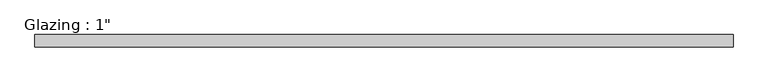
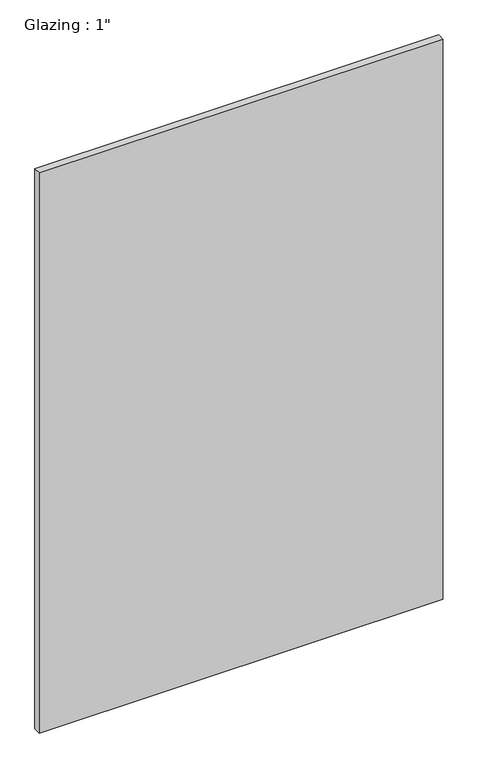
"""IFC4 building model written with IfcOpenShell, lengths in millimetres: plate geometry."""

from ifc_helpers import new_model, si_unit, origin, origin_with_axes, place, context, project, spatial, polyline, outline, extrude, source, transform, mapped, element, save


def plate_f0c235a7(model_context):
    return source(origin(), model_context, "Body", "SweptSolid", [
        extrude(outline(polyline([(713.8074708, -12.7), (-713.8074708, -12.7), (-713.8074708, 12.7), (713.8074708, 12.7), (713.8074708, -12.7)])), origin_with_axes(), (0.0, 0.0, 1.0), 2094.5430277),
    ])


if __name__ == "__main__":
    model = new_model("IFC4")
    model_context = context("Model", 3, world=origin())
    ifc_project = project(units=[si_unit("LENGTHUNIT", "METRE", prefix="MILLI")], contexts=[model_context])
    site = spatial("IfcSite", under=ifc_project)
    building = spatial("IfcBuilding", under=site)
    placement = place(None, origin())
    plate_shape = plate_f0c235a7(model_context)
    element("IfcPlate", 1, ObjectType="Glazing : 1\"", at=placement, inside=building, context=model_context, shape_type="MappedRepresentation", body=[
        mapped(plate_shape, transform((0.0, 0.0, 0.0), x_axis=(1.0, 0.0, 0.0), y_axis=(0.0, 1.0, 0.0), z_axis=(0.0, 0.0, 1.0))),
    ])
    save(model, "model.ifc")
